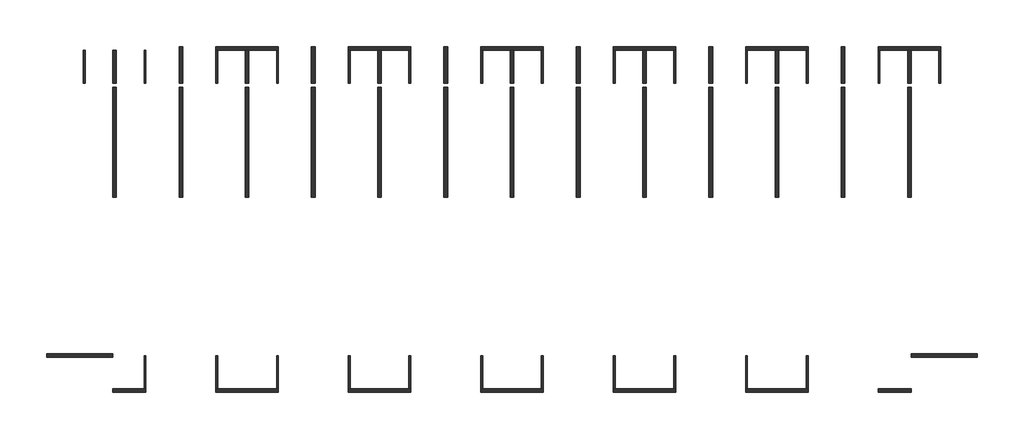
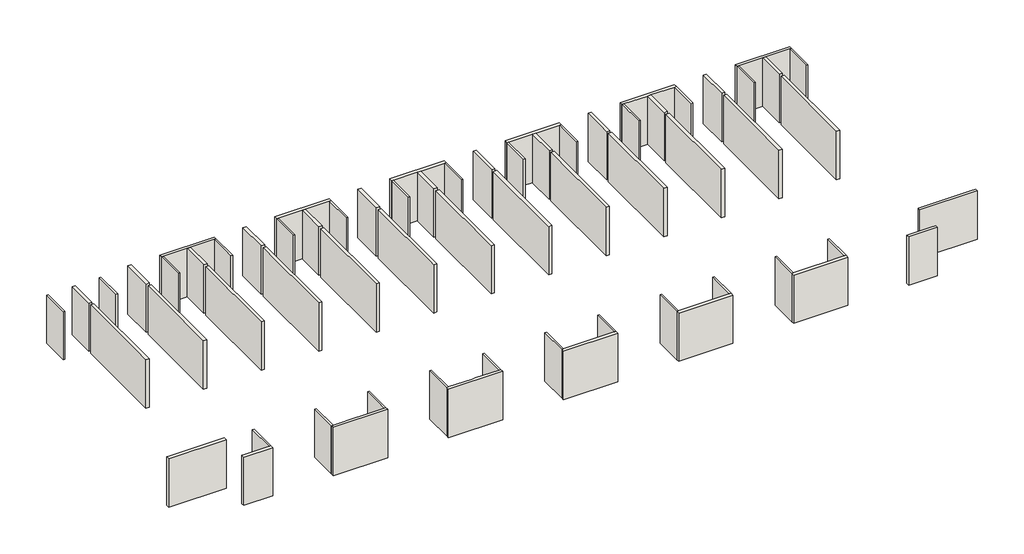
# One storey: 53 walls.
"""IFC4 building model written with IfcOpenShell, lengths in millimetres."""

from ifc_helpers import new_model, si_unit, origin, origin_with_axes, place, context, project, spatial, polyline, outline, extrude, faceted_brep, element, save

model = new_model("IFC4")

# Units and contexts
model_context = context("Model", 3, world=origin())
ifc_project = project(units=[si_unit("LENGTHUNIT", "METRE", prefix="MILLI")], contexts=[model_context])

# Site, building, storey
site = spatial("IfcSite", under=ifc_project)
building = spatial("IfcBuilding", under=site)
storey = spatial("IfcBuildingStorey", under=building, Elevation=0.0)

# Walls
placement = place(None, origin())
element("IfcWall", 1, at=placement, inside=storey, context=model_context, shape_type="Brep", body=[
    faceted_brep([(9100.0, 22800.0, 0.0), (9200.0, 22800.0, 0.0), (10700.0, 22800.0, 0.0), (10900.0, 22800.0, 0.0), (12400.0, 22800.0, 0.0), (12500.0, 22800.0, 0.0), (12500.0, 22800.0, 3200.0082667), (12400.0, 22800.0, 3200.0082667), (10900.0, 22800.0, 3200.0082667), (10700.0, 22800.0, 3200.0082667), (9200.0, 22800.0, 3200.0082667), (9100.0, 22800.0, 3200.0082667), (9100.0, 23000.0, 0.0), (9100.0, 23000.0, 3200.0082667), (12500.0, 23000.0, 3200.0082667), (12500.0, 23000.0, 0.0)], [[[0, 1, 2, 3, 4, 5, 6, 7, 8, 9, 10, 11]], [[12, 13, 14, 15]], [[5, 4, 3, 2, 1, 0, 12, 15]], [[11, 10, 9, 8, 7, 6, 14, 13]], [[6, 5, 15, 14]], [[0, 11, 13, 12]]]),
])
element("IfcWall", 2, at=placement, inside=storey, context=model_context, shape_type="Brep", body=[
    faceted_brep([(16300.0, 22800.0, 0.0), (16400.0, 22800.0, 0.0), (17900.0, 22800.0, 0.0), (18100.0, 22800.0, 0.0), (19600.0, 22800.0, 0.0), (19700.0, 22800.0, 0.0), (19700.0, 22800.0, 3200.0082667), (19600.0, 22800.0, 3200.0082667), (18100.0, 22800.0, 3200.0082667), (17900.0, 22800.0, 3200.0082667), (16400.0, 22800.0, 3200.0082667), (16300.0, 22800.0, 3200.0082667), (16300.0, 23000.0, 0.0), (16300.0, 23000.0, 3200.0082667), (19700.0, 23000.0, 3200.0082667), (19700.0, 23000.0, 0.0)], [[[0, 1, 2, 3, 4, 5, 6, 7, 8, 9, 10, 11]], [[12, 13, 14, 15]], [[5, 4, 3, 2, 1, 0, 12, 15]], [[11, 10, 9, 8, 7, 6, 14, 13]], [[6, 5, 15, 14]], [[0, 11, 13, 12]]]),
])
element("IfcWall", 3, at=placement, inside=storey, context=model_context, shape_type="Brep", body=[
    faceted_brep([(23500.0, 22800.0, 0.0), (23600.0, 22800.0, 0.0), (25100.0, 22800.0, 0.0), (25300.0, 22800.0, 0.0), (26800.0, 22800.0, 0.0), (26900.0, 22800.0, 0.0), (26900.0, 22800.0, 3200.0082667), (26800.0, 22800.0, 3200.0082667), (25300.0, 22800.0, 3200.0082667), (25100.0, 22800.0, 3200.0082667), (23600.0, 22800.0, 3200.0082667), (23500.0, 22800.0, 3200.0082667), (23500.0, 23000.0, 0.0), (23500.0, 23000.0, 3200.0082667), (26900.0, 23000.0, 3200.0082667), (26900.0, 23000.0, 0.0)], [[[0, 1, 2, 3, 4, 5, 6, 7, 8, 9, 10, 11]], [[12, 13, 14, 15]], [[5, 4, 3, 2, 1, 0, 12, 15]], [[11, 10, 9, 8, 7, 6, 14, 13]], [[6, 5, 15, 14]], [[0, 11, 13, 12]]]),
])
element("IfcWall", 4, at=placement, inside=storey, context=model_context, shape_type="Brep", body=[
    faceted_brep([(30700.0, 22800.0, 0.0), (30800.0, 22800.0, 0.0), (32300.0, 22800.0, 0.0), (32500.0, 22800.0, 0.0), (34000.0, 22800.0, 0.0), (34100.0, 22800.0, 0.0), (34100.0, 22800.0, 3200.0082667), (34000.0, 22800.0, 3200.0082667), (32500.0, 22800.0, 3200.0082667), (32300.0, 22800.0, 3200.0082667), (30800.0, 22800.0, 3200.0082667), (30700.0, 22800.0, 3200.0082667), (30700.0, 23000.0, 0.0), (30700.0, 23000.0, 3200.0082667), (34100.0, 23000.0, 3200.0082667), (34100.0, 23000.0, 0.0)], [[[0, 1, 2, 3, 4, 5, 6, 7, 8, 9, 10, 11]], [[12, 13, 14, 15]], [[5, 4, 3, 2, 1, 0, 12, 15]], [[11, 10, 9, 8, 7, 6, 14, 13]], [[6, 5, 15, 14]], [[0, 11, 13, 12]]]),
])
element("IfcWall", 5, at=placement, inside=storey, context=model_context, shape_type="Brep", body=[
    faceted_brep([(37900.0, 22800.0, 0.0), (38000.0, 22800.0, 0.0), (39500.0, 22800.0, 0.0), (39700.0, 22800.0, 0.0), (41200.0, 22800.0, 0.0), (41300.0, 22800.0, 0.0), (41300.0, 22800.0, 3200.0082667), (41200.0, 22800.0, 3200.0082667), (39700.0, 22800.0, 3200.0082667), (39500.0, 22800.0, 3200.0082667), (38000.0, 22800.0, 3200.0082667), (37900.0, 22800.0, 3200.0082667), (37900.0, 23000.0, 0.0), (37900.0, 23000.0, 3200.0082667), (41300.0, 23000.0, 3200.0082667), (41300.0, 23000.0, 0.0)], [[[0, 1, 2, 3, 4, 5, 6, 7, 8, 9, 10, 11]], [[12, 13, 14, 15]], [[5, 4, 3, 2, 1, 0, 12, 15]], [[11, 10, 9, 8, 7, 6, 14, 13]], [[6, 5, 15, 14]], [[0, 11, 13, 12]]]),
])
element("IfcWall", 6, at=placement, inside=storey, context=model_context, shape_type="Brep", body=[
    faceted_brep([(45100.0, 22800.0, 0.0), (45200.0, 22800.0, 0.0), (46700.0, 22800.0, 0.0), (46900.0, 22800.0, 0.0), (48400.0, 22800.0, 0.0), (48500.0, 22800.0, 0.0), (48500.0, 22800.0, 3200.0082667), (48400.0, 22800.0, 3200.0082667), (46900.0, 22800.0, 3200.0082667), (46700.0, 22800.0, 3200.0082667), (45200.0, 22800.0, 3200.0082667), (45100.0, 22800.0, 3200.0082667), (45100.0, 23000.0, 0.0), (45100.0, 23000.0, 3200.0082667), (48500.0, 23000.0, 3200.0082667), (48500.0, 23000.0, 0.0)], [[[0, 1, 2, 3, 4, 5, 6, 7, 8, 9, 10, 11]], [[12, 13, 14, 15]], [[5, 4, 3, 2, 1, 0, 12, 15]], [[11, 10, 9, 8, 7, 6, 14, 13]], [[0, 11, 13, 12]], [[6, 5, 15, 14]]]),
])
element("IfcWall", 7, at=placement, inside=storey, context=model_context, shape_type="Brep", body=[
    faceted_brep([(9100.0, 4200.0, 0.0), (12500.0, 4200.0, 0.0), (12500.0, 4200.0, 3200.0082667), (9100.0, 4200.0, 3200.0082667), (9100.0, 4400.0, 0.0), (9100.0, 4400.0, 3200.0082667), (9200.0, 4400.0, 3200.0082667), (10700.0, 4400.0, 3200.0082667), (10900.0, 4400.0, 3200.0082667), (12400.0, 4400.0, 3200.0082667), (12500.0, 4400.0, 3200.0082667), (12500.0, 4400.0, 0.0), (12400.0, 4400.0, 0.0), (10900.0, 4400.0, 0.0), (10700.0, 4400.0, 0.0), (9200.0, 4400.0, 0.0)], [[[0, 1, 2, 3]], [[4, 5, 6, 7, 8, 9, 10, 11, 12, 13, 14, 15]], [[1, 0, 4, 15, 14, 13, 12, 11]], [[3, 2, 10, 9, 8, 7, 6, 5]], [[2, 1, 11, 10]], [[0, 3, 5, 4]]]),
])
element("IfcWall", 8, at=placement, inside=storey, context=model_context, shape_type="Brep", body=[
    faceted_brep([(16300.0, 4200.0, 0.0), (19700.0, 4200.0, 0.0), (19700.0, 4200.0, 3200.0082667), (16300.0, 4200.0, 3200.0082667), (16300.0, 4400.0, 0.0), (16300.0, 4400.0, 3200.0082667), (16400.0, 4400.0, 3200.0082667), (17900.0, 4400.0, 3200.0082667), (18100.0, 4400.0, 3200.0082667), (19600.0, 4400.0, 3200.0082667), (19700.0, 4400.0, 3200.0082667), (19700.0, 4400.0, 0.0), (19600.0, 4400.0, 0.0), (18100.0, 4400.0, 0.0), (17900.0, 4400.0, 0.0), (16400.0, 4400.0, 0.0)], [[[0, 1, 2, 3]], [[4, 5, 6, 7, 8, 9, 10, 11, 12, 13, 14, 15]], [[1, 0, 4, 15, 14, 13, 12, 11]], [[3, 2, 10, 9, 8, 7, 6, 5]], [[2, 1, 11, 10]], [[0, 3, 5, 4]]]),
])
element("IfcWall", 9, at=placement, inside=storey, context=model_context, shape_type="Brep", body=[
    faceted_brep([(23500.0, 4200.0, 0.0), (26900.0, 4200.0, 0.0), (26900.0, 4200.0, 3200.0082667), (23500.0, 4200.0, 3200.0082667), (23500.0, 4400.0, 0.0), (23500.0, 4400.0, 3200.0082667), (23600.0, 4400.0, 3200.0082667), (25100.0, 4400.0, 3200.0082667), (25300.0, 4400.0, 3200.0082667), (26800.0, 4400.0, 3200.0082667), (26900.0, 4400.0, 3200.0082667), (26900.0, 4400.0, 0.0), (26800.0, 4400.0, 0.0), (25300.0, 4400.0, 0.0), (25100.0, 4400.0, 0.0), (23600.0, 4400.0, 0.0)], [[[0, 1, 2, 3]], [[4, 5, 6, 7, 8, 9, 10, 11, 12, 13, 14, 15]], [[1, 0, 4, 15, 14, 13, 12, 11]], [[3, 2, 10, 9, 8, 7, 6, 5]], [[2, 1, 11, 10]], [[0, 3, 5, 4]]]),
])
element("IfcWall", 10, at=placement, inside=storey, context=model_context, shape_type="Brep", body=[
    faceted_brep([(30700.0, 4200.0, 0.0), (34100.0, 4200.0, 0.0), (34100.0, 4200.0, 3200.0082667), (30700.0, 4200.0, 3200.0082667), (30700.0, 4400.0, 0.0), (30700.0, 4400.0, 3200.0082667), (30800.0, 4400.0, 3200.0082667), (32300.0, 4400.0, 3200.0082667), (32500.0, 4400.0, 3200.0082667), (34000.0, 4400.0, 3200.0082667), (34100.0, 4400.0, 3200.0082667), (34100.0, 4400.0, 0.0), (34000.0, 4400.0, 0.0), (32500.0, 4400.0, 0.0), (32300.0, 4400.0, 0.0), (30800.0, 4400.0, 0.0)], [[[0, 1, 2, 3]], [[4, 5, 6, 7, 8, 9, 10, 11, 12, 13, 14, 15]], [[1, 0, 4, 15, 14, 13, 12, 11]], [[3, 2, 10, 9, 8, 7, 6, 5]], [[2, 1, 11, 10]], [[0, 3, 5, 4]]]),
])
element("IfcWall", 11, at=placement, inside=storey, context=model_context, shape_type="Brep", body=[
    faceted_brep([(37900.0, 4200.0, 0.0), (41300.0, 4200.0, 0.0), (41300.0, 4200.0, 3200.0082667), (37900.0, 4200.0, 3200.0082667), (37900.0, 4400.0, 0.0), (37900.0, 4400.0, 3200.0082667), (38000.0, 4400.0, 3200.0082667), (39500.0, 4400.0, 3200.0082667), (39700.0, 4400.0, 3200.0082667), (41200.0, 4400.0, 3200.0082667), (41300.0, 4400.0, 3200.0082667), (41300.0, 4400.0, 0.0), (41200.0, 4400.0, 0.0), (39700.0, 4400.0, 0.0), (39500.0, 4400.0, 0.0), (38000.0, 4400.0, 0.0)], [[[0, 1, 2, 3]], [[4, 5, 6, 7, 8, 9, 10, 11, 12, 13, 14, 15]], [[1, 0, 4, 15, 14, 13, 12, 11]], [[3, 2, 10, 9, 8, 7, 6, 5]], [[2, 1, 11, 10]], [[0, 3, 5, 4]]]),
])
element("IfcWall", 12, at=placement, inside=storey, context=model_context, shape_type="Brep", body=[
    faceted_brep([(45100.0, 4200.0, 0.0), (46900.0, 4200.0, 0.0), (46900.0, 4200.0, 3200.0082667), (45100.0, 4200.0, 3200.0082667), (45100.0, 4400.0, 0.0), (45100.0, 4400.0, 3200.0082667), (45200.0, 4400.0, 3200.0082667), (46700.0, 4400.0, 3200.0082667), (46900.0, 4400.0, 3200.0082667), (46900.0, 4400.0, 0.0), (46700.0, 4400.0, 0.0), (45200.0, 4400.0, 0.0)], [[[0, 1, 2, 3]], [[4, 5, 6, 7, 8, 9, 10, 11]], [[1, 0, 4, 11, 10, 9]], [[3, 2, 8, 7, 6, 5]], [[2, 1, 9, 8]], [[0, 3, 5, 4]]]),
])
element("IfcWall", 13, at=placement, inside=storey, context=model_context, shape_type="Brep", body=[
    faceted_brep([(3500.0, 4200.0, 0.0), (5300.0, 4200.0, 0.0), (5300.0, 4200.0, 3200.0082667), (3500.0, 4200.0, 3200.0082667), (3500.0, 4400.0, 0.0), (3500.0, 4400.0, 3200.0082667), (3700.0, 4400.0, 3200.0082667), (5200.0, 4400.0, 3200.0082667), (5300.0, 4400.0, 3200.0082667), (5300.0, 4400.0, 0.0), (5200.0, 4400.0, 0.0), (3700.0, 4400.0, 0.0)], [[[0, 1, 2, 3]], [[4, 5, 6, 7, 8, 9, 10, 11]], [[1, 0, 4, 11, 10, 9]], [[3, 2, 8, 7, 6, 5]], [[0, 3, 5, 4]], [[2, 1, 9, 8]]]),
])
element("IfcWall", 14, at=placement, inside=storey, context=model_context, shape_type="Brep", body=[
    faceted_brep([(-100.0, 6100.0, 0.0), (3500.0, 6100.0, 0.0), (3500.0, 6100.0, 3200.0082667), (-100.0, 6100.0, 3200.0082667), (-100.0, 6300.0, 0.0), (-100.0, 6300.0, 3200.0082667), (100.0, 6300.0, 3200.0082667), (3500.0, 6300.0, 3200.0082667), (3500.0, 6300.0, 0.0), (100.0, 6300.0, 0.0), (3500.0, 6200.0, 0.0), (3500.0, 6200.0, 3200.0082667)], [[[0, 1, 2, 3]], [[4, 5, 6, 7, 8, 9]], [[1, 0, 4, 9, 8, 10]], [[3, 2, 11, 7, 6, 5]], [[0, 3, 5, 4]], [[2, 1, 10, 8, 7, 11]]]),
])
element("IfcWall", 15, at=placement, inside=storey, context=model_context, shape_type="Brep", body=[
    faceted_brep([(46900.0, 6100.0, 0.0), (50500.0, 6100.0, 0.0), (50500.0, 6100.0, 3200.0082667), (46900.0, 6100.0, 3200.0082667), (46900.0, 6300.0, 0.0), (46900.0, 6300.0, 3200.0082667), (50300.0, 6300.0, 3200.0082667), (50500.0, 6300.0, 3200.0082667), (50500.0, 6300.0, 0.0), (50300.0, 6300.0, 0.0), (46900.0, 6200.0, 0.0), (46900.0, 6200.0, 3200.0082667)], [[[0, 1, 2, 3]], [[4, 5, 6, 7, 8, 9]], [[1, 0, 10, 4, 9, 8]], [[3, 2, 7, 6, 5, 11]], [[2, 1, 8, 7]], [[0, 3, 11, 5, 4, 10]]]),
])
element("IfcWall", 16, at=placement, inside=storey, context=model_context, shape_type="SweptSolid", body=[
    extrude(outline(polyline([(7100.0, 23000.0), (7300.0, 23000.0), (7300.0, 21000.0), (7100.0, 21000.0), (7100.0, 23000.0)])), origin_with_axes(), (0.0, 0.0, 1.0), 3200.0082667),
    extrude(outline(polyline([(7300.0, 14800.0), (7100.0, 14800.0), (7100.0, 20800.0), (7300.0, 20800.0), (7300.0, 14800.0)])), origin_with_axes(), (0.0, 0.0, 1.0), 3200.0082667),
])
element("IfcWall", 17, at=placement, inside=storey, context=model_context, shape_type="SweptSolid", body=[
    extrude(outline(polyline([(14300.0, 23000.0), (14500.0, 23000.0), (14500.0, 21000.0), (14300.0, 21000.0), (14300.0, 23000.0)])), origin_with_axes(), (0.0, 0.0, 1.0), 3200.0082667),
    extrude(outline(polyline([(14500.0, 14800.0), (14300.0, 14800.0), (14300.0, 20800.0), (14500.0, 20800.0), (14500.0, 14800.0)])), origin_with_axes(), (0.0, 0.0, 1.0), 3200.0082667),
])
element("IfcWall", 18, at=placement, inside=storey, context=model_context, shape_type="SweptSolid", body=[
    extrude(outline(polyline([(21500.0, 23000.0), (21700.0, 23000.0), (21700.0, 21000.0), (21500.0, 21000.0), (21500.0, 23000.0)])), origin_with_axes(), (0.0, 0.0, 1.0), 3200.0082667),
    extrude(outline(polyline([(21700.0, 14800.0), (21500.0, 14800.0), (21500.0, 20800.0), (21700.0, 20800.0), (21700.0, 14800.0)])), origin_with_axes(), (0.0, 0.0, 1.0), 3200.0082667),
])
element("IfcWall", 19, at=placement, inside=storey, context=model_context, shape_type="SweptSolid", body=[
    extrude(outline(polyline([(28700.0, 23000.0), (28900.0, 23000.0), (28900.0, 21000.0), (28700.0, 21000.0), (28700.0, 23000.0)])), origin_with_axes(), (0.0, 0.0, 1.0), 3200.0082667),
    extrude(outline(polyline([(28900.0, 14800.0), (28700.0, 14800.0), (28700.0, 20800.0), (28900.0, 20800.0), (28900.0, 14800.0)])), origin_with_axes(), (0.0, 0.0, 1.0), 3200.0082667),
])
element("IfcWall", 20, at=placement, inside=storey, context=model_context, shape_type="SweptSolid", body=[
    extrude(outline(polyline([(35900.0, 23000.0), (36100.0, 23000.0), (36100.0, 21000.0), (35900.0, 21000.0), (35900.0, 23000.0)])), origin_with_axes(), (0.0, 0.0, 1.0), 3200.0082667),
    extrude(outline(polyline([(36100.0, 14800.0), (35900.0, 14800.0), (35900.0, 20800.0), (36100.0, 20800.0), (36100.0, 14800.0)])), origin_with_axes(), (0.0, 0.0, 1.0), 3200.0082667),
])
element("IfcWall", 21, at=placement, inside=storey, context=model_context, shape_type="SweptSolid", body=[
    extrude(outline(polyline([(43100.0, 23000.0), (43300.0, 23000.0), (43300.0, 21000.0), (43100.0, 21000.0), (43100.0, 23000.0)])), origin_with_axes(), (0.0, 0.0, 1.0), 3200.0082667),
    extrude(outline(polyline([(43300.0, 14800.0), (43100.0, 14800.0), (43100.0, 20800.0), (43300.0, 20800.0), (43300.0, 14800.0)])), origin_with_axes(), (0.0, 0.0, 1.0), 3200.0082667),
])
element("IfcWall", 22, at=placement, inside=storey, context=model_context, shape_type="SweptSolid", body=[
    extrude(outline(polyline([(10700.0, 22800.0), (10900.0, 22800.0), (10900.0, 21000.0), (10700.0, 21000.0), (10700.0, 22800.0)])), origin_with_axes(), (0.0, 0.0, 1.0), 3200.0082667),
    extrude(outline(polyline([(10900.0, 14800.0), (10700.0, 14800.0), (10700.0, 20800.0), (10900.0, 20800.0), (10900.0, 14800.0)])), origin_with_axes(), (0.0, 0.0, 1.0), 3200.0082667),
])
element("IfcWall", 23, at=placement, inside=storey, context=model_context, shape_type="SweptSolid", body=[
    extrude(outline(polyline([(17900.0, 22800.0), (18100.0, 22800.0), (18100.0, 21000.0), (17900.0, 21000.0), (17900.0, 22800.0)])), origin_with_axes(), (0.0, 0.0, 1.0), 3200.0082667),
    extrude(outline(polyline([(18100.0, 14800.0), (17900.0, 14800.0), (17900.0, 20800.0), (18100.0, 20800.0), (18100.0, 14800.0)])), origin_with_axes(), (0.0, 0.0, 1.0), 3200.0082667),
])
element("IfcWall", 24, at=placement, inside=storey, context=model_context, shape_type="SweptSolid", body=[
    extrude(outline(polyline([(25100.0, 22800.0), (25300.0, 22800.0), (25300.0, 21000.0), (25100.0, 21000.0), (25100.0, 22800.0)])), origin_with_axes(), (0.0, 0.0, 1.0), 3200.0082667),
    extrude(outline(polyline([(25300.0, 14800.0), (25100.0, 14800.0), (25100.0, 20800.0), (25300.0, 20800.0), (25300.0, 14800.0)])), origin_with_axes(), (0.0, 0.0, 1.0), 3200.0082667),
])
element("IfcWall", 25, at=placement, inside=storey, context=model_context, shape_type="SweptSolid", body=[
    extrude(outline(polyline([(32300.0, 22800.0), (32500.0, 22800.0), (32500.0, 21000.0), (32300.0, 21000.0), (32300.0, 22800.0)])), origin_with_axes(), (0.0, 0.0, 1.0), 3200.0082667),
    extrude(outline(polyline([(32500.0, 14800.0), (32300.0, 14800.0), (32300.0, 20800.0), (32500.0, 20800.0), (32500.0, 14800.0)])), origin_with_axes(), (0.0, 0.0, 1.0), 3200.0082667),
])
element("IfcWall", 26, at=placement, inside=storey, context=model_context, shape_type="SweptSolid", body=[
    extrude(outline(polyline([(39500.0, 22800.0), (39700.0, 22800.0), (39700.0, 21000.0), (39500.0, 21000.0), (39500.0, 22800.0)])), origin_with_axes(), (0.0, 0.0, 1.0), 3200.0082667),
    extrude(outline(polyline([(39700.0, 14800.0), (39500.0, 14800.0), (39500.0, 20800.0), (39700.0, 20800.0), (39700.0, 14800.0)])), origin_with_axes(), (0.0, 0.0, 1.0), 3200.0082667),
])
element("IfcWall", 27, at=placement, inside=storey, context=model_context, shape_type="SweptSolid", body=[
    extrude(outline(polyline([(3500.0, 22800.0), (3700.0, 22800.0), (3700.0, 21000.0), (3500.0, 21000.0), (3500.0, 22800.0)])), origin_with_axes(), (0.0, 0.0, 1.0), 3200.0082667),
    extrude(outline(polyline([(3700.0, 14800.0), (3500.0, 14800.0), (3500.0, 20800.0), (3700.0, 20800.0), (3700.0, 14800.0)])), origin_with_axes(), (0.0, 0.0, 1.0), 3200.0082667),
])
element("IfcWall", 28, at=placement, inside=storey, context=model_context, shape_type="SweptSolid", body=[
    extrude(outline(polyline([(46700.0, 22800.0), (46900.0, 22800.0), (46900.0, 21000.0), (46700.0, 21000.0), (46700.0, 22800.0)])), origin_with_axes(), (0.0, 0.0, 1.0), 3200.0082667),
    extrude(outline(polyline([(46900.0, 14800.0), (46700.0, 14800.0), (46700.0, 20800.0), (46900.0, 20800.0), (46900.0, 14800.0)])), origin_with_axes(), (0.0, 0.0, 1.0), 3200.0082667),
])
element("IfcWall", 29, at=placement, inside=storey, context=model_context, shape_type="SweptSolid", body=[
    extrude(outline(polyline([(41300.0, 6200.0), (41300.0, 4400.0), (41200.0, 4400.0), (41200.0, 6200.0), (41300.0, 6200.0)])), origin_with_axes(), (0.0, 0.0, 1.0), 3200.0),
])
element("IfcWall", 30, at=placement, inside=storey, context=model_context, shape_type="SweptSolid", body=[
    extrude(outline(polyline([(38000.0, 6200.0), (38000.0, 4400.0), (37900.0, 4400.0), (37900.0, 6200.0), (38000.0, 6200.0)])), origin_with_axes(), (0.0, 0.0, 1.0), 3200.0),
])
element("IfcWall", 31, at=placement, inside=storey, context=model_context, shape_type="SweptSolid", body=[
    extrude(outline(polyline([(34100.0, 6200.0), (34100.0, 4400.0), (34000.0, 4400.0), (34000.0, 6200.0), (34100.0, 6200.0)])), origin_with_axes(), (0.0, 0.0, 1.0), 3200.0),
])
element("IfcWall", 32, at=placement, inside=storey, context=model_context, shape_type="SweptSolid", body=[
    extrude(outline(polyline([(30800.0, 6200.0), (30800.0, 4400.0), (30700.0, 4400.0), (30700.0, 6200.0), (30800.0, 6200.0)])), origin_with_axes(), (0.0, 0.0, 1.0), 3200.0),
])
element("IfcWall", 33, at=placement, inside=storey, context=model_context, shape_type="SweptSolid", body=[
    extrude(outline(polyline([(26900.0, 6200.0), (26900.0, 4400.0), (26800.0, 4400.0), (26800.0, 6200.0), (26900.0, 6200.0)])), origin_with_axes(), (0.0, 0.0, 1.0), 3200.0),
])
element("IfcWall", 34, at=placement, inside=storey, context=model_context, shape_type="SweptSolid", body=[
    extrude(outline(polyline([(23600.0, 6200.0), (23600.0, 4400.0), (23500.0, 4400.0), (23500.0, 6200.0), (23600.0, 6200.0)])), origin_with_axes(), (0.0, 0.0, 1.0), 3200.0),
])
element("IfcWall", 35, at=placement, inside=storey, context=model_context, shape_type="SweptSolid", body=[
    extrude(outline(polyline([(19700.0, 6200.0), (19700.0, 4400.0), (19600.0, 4400.0), (19600.0, 6200.0), (19700.0, 6200.0)])), origin_with_axes(), (0.0, 0.0, 1.0), 3200.0),
])
element("IfcWall", 36, at=placement, inside=storey, context=model_context, shape_type="SweptSolid", body=[
    extrude(outline(polyline([(16400.0, 6200.0), (16400.0, 4400.0), (16300.0, 4400.0), (16300.0, 6200.0), (16400.0, 6200.0)])), origin_with_axes(), (0.0, 0.0, 1.0), 3200.0),
])
element("IfcWall", 37, at=placement, inside=storey, context=model_context, shape_type="SweptSolid", body=[
    extrude(outline(polyline([(12500.0, 6200.0), (12500.0, 4400.0), (12400.0, 4400.0), (12400.0, 6200.0), (12500.0, 6200.0)])), origin_with_axes(), (0.0, 0.0, 1.0), 3200.0),
])
element("IfcWall", 38, at=placement, inside=storey, context=model_context, shape_type="SweptSolid", body=[
    extrude(outline(polyline([(9200.0, 6200.0), (9200.0, 4400.0), (9100.0, 4400.0), (9100.0, 6200.0), (9200.0, 6200.0)])), origin_with_axes(), (0.0, 0.0, 1.0), 3200.0),
])
element("IfcWall", 39, at=placement, inside=storey, context=model_context, shape_type="SweptSolid", body=[
    extrude(outline(polyline([(5300.0, 6200.0), (5300.0, 4400.0), (5200.0, 4400.0), (5200.0, 6200.0), (5300.0, 6200.0)])), origin_with_axes(), (0.0, 0.0, 1.0), 3200.0),
])
element("IfcWall", 40, at=placement, inside=storey, context=model_context, shape_type="SweptSolid", body=[
    extrude(outline(polyline([(45100.0, 21000.0), (45100.0, 22800.0), (45200.0, 22800.0), (45200.0, 21000.0), (45100.0, 21000.0)])), origin_with_axes(), (0.0, 0.0, 1.0), 3200.0),
])
element("IfcWall", 41, at=placement, inside=storey, context=model_context, shape_type="SweptSolid", body=[
    extrude(outline(polyline([(41200.0, 21000.0), (41200.0, 22800.0), (41300.0, 22800.0), (41300.0, 21000.0), (41200.0, 21000.0)])), origin_with_axes(), (0.0, 0.0, 1.0), 3200.0),
])
element("IfcWall", 42, at=placement, inside=storey, context=model_context, shape_type="SweptSolid", body=[
    extrude(outline(polyline([(37900.0, 21000.0), (37900.0, 22800.0), (38000.0, 22800.0), (38000.0, 21000.0), (37900.0, 21000.0)])), origin_with_axes(), (0.0, 0.0, 1.0), 3200.0),
])
element("IfcWall", 43, at=placement, inside=storey, context=model_context, shape_type="SweptSolid", body=[
    extrude(outline(polyline([(34000.0, 21000.0), (34000.0, 22800.0), (34100.0, 22800.0), (34100.0, 21000.0), (34000.0, 21000.0)])), origin_with_axes(), (0.0, 0.0, 1.0), 3200.0),
])
element("IfcWall", 44, at=placement, inside=storey, context=model_context, shape_type="SweptSolid", body=[
    extrude(outline(polyline([(30700.0, 21000.0), (30700.0, 22800.0), (30800.0, 22800.0), (30800.0, 21000.0), (30700.0, 21000.0)])), origin_with_axes(), (0.0, 0.0, 1.0), 3200.0),
])
element("IfcWall", 45, at=placement, inside=storey, context=model_context, shape_type="SweptSolid", body=[
    extrude(outline(polyline([(26800.0, 21000.0), (26800.0, 22800.0), (26900.0, 22800.0), (26900.0, 21000.0), (26800.0, 21000.0)])), origin_with_axes(), (0.0, 0.0, 1.0), 3200.0),
])
element("IfcWall", 46, at=placement, inside=storey, context=model_context, shape_type="SweptSolid", body=[
    extrude(outline(polyline([(23500.0, 21000.0), (23500.0, 22800.0), (23600.0, 22800.0), (23600.0, 21000.0), (23500.0, 21000.0)])), origin_with_axes(), (0.0, 0.0, 1.0), 3200.0),
])
element("IfcWall", 47, at=placement, inside=storey, context=model_context, shape_type="SweptSolid", body=[
    extrude(outline(polyline([(19600.0, 21000.0), (19600.0, 22800.0), (19700.0, 22800.0), (19700.0, 21000.0), (19600.0, 21000.0)])), origin_with_axes(), (0.0, 0.0, 1.0), 3200.0),
])
element("IfcWall", 48, at=placement, inside=storey, context=model_context, shape_type="SweptSolid", body=[
    extrude(outline(polyline([(16300.0, 21000.0), (16300.0, 22800.0), (16400.0, 22800.0), (16400.0, 21000.0), (16300.0, 21000.0)])), origin_with_axes(), (0.0, 0.0, 1.0), 3200.0),
])
element("IfcWall", 49, at=placement, inside=storey, context=model_context, shape_type="SweptSolid", body=[
    extrude(outline(polyline([(12400.0, 21000.0), (12400.0, 22800.0), (12500.0, 22800.0), (12500.0, 21000.0), (12400.0, 21000.0)])), origin_with_axes(), (0.0, 0.0, 1.0), 3200.0),
])
element("IfcWall", 50, at=placement, inside=storey, context=model_context, shape_type="SweptSolid", body=[
    extrude(outline(polyline([(9100.0, 21000.0), (9100.0, 22800.0), (9200.0, 22800.0), (9200.0, 21000.0), (9100.0, 21000.0)])), origin_with_axes(), (0.0, 0.0, 1.0), 3200.0),
])
element("IfcWall", 51, at=placement, inside=storey, context=model_context, shape_type="SweptSolid", body=[
    extrude(outline(polyline([(5200.0, 21000.0), (5200.0, 22800.0), (5300.0, 22800.0), (5300.0, 21000.0), (5200.0, 21000.0)])), origin_with_axes(), (0.0, 0.0, 1.0), 3200.0),
])
element("IfcWall", 52, at=placement, inside=storey, context=model_context, shape_type="SweptSolid", body=[
    extrude(outline(polyline([(1900.0, 21000.0), (1900.0, 22800.0), (2000.0, 22800.0), (2000.0, 21000.0), (1900.0, 21000.0)])), origin_with_axes(), (0.0, 0.0, 1.0), 3200.0),
])
element("IfcWall", 53, at=placement, inside=storey, context=model_context, shape_type="SweptSolid", body=[
    extrude(outline(polyline([(48400.0, 21000.0), (48400.0, 22800.0), (48500.0, 22800.0), (48500.0, 21000.0), (48400.0, 21000.0)])), origin_with_axes(), (0.0, 0.0, 1.0), 3200.0),
])

save(model, "model.ifc")
